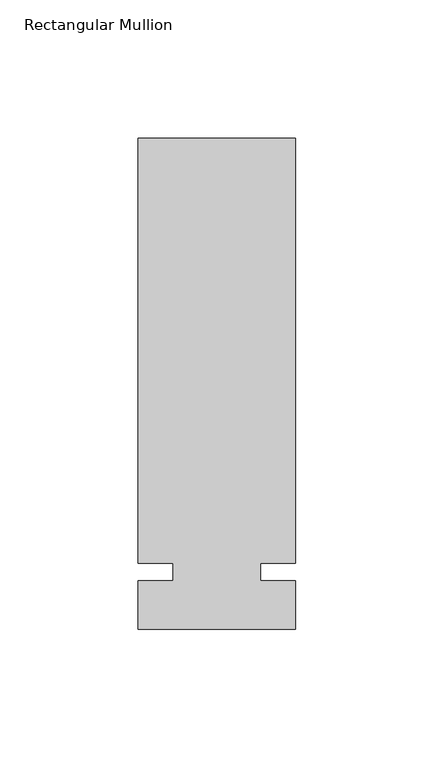
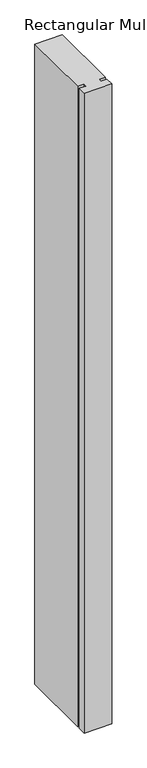
"""IFC4 building model written with IfcOpenShell, lengths in millimetres: member geometry, Rectangular Mullion."""

from ifc_helpers import new_model, si_unit, frame, origin, place, context, project, spatial, polyline, outline, extrude, source, transform, mapped, element, save


def rectangular_mullion_c80ed68c(model_context):
    return source(origin(), model_context, "Body", "SweptSolid", [
        extrude(outline(polyline([(32.9094027, 157.1625), (32.9094027, 3.175), (20.2076322, 3.175), (20.2076322, -3.175), (32.9094027, -3.175), (32.9094027, -20.6375), (-24.2405973, -20.6375), (-24.2405973, -3.175), (-11.5405973, -3.175), (-11.5405973, 3.175), (-24.2405973, 3.175), (-24.2405973, 157.1625), (32.9094027, 157.1625)])), frame((0.0, 0.0, -1407.482264), z_axis=(0.0, 0.0, 1.0), x_axis=(1.0, 0.0, 0.0)), (0.0, 0.0, 1.0), 1407.482264),
    ])


if __name__ == "__main__":
    model = new_model("IFC4")
    model_context = context("Model", 3, world=origin())
    ifc_project = project(units=[si_unit("LENGTHUNIT", "METRE", prefix="MILLI")], contexts=[model_context])
    site = spatial("IfcSite", under=ifc_project)
    building = spatial("IfcBuilding", under=site)
    placement = place(None, origin())
    rectangular_mullion_shape = rectangular_mullion_c80ed68c(model_context)
    element("IfcMember", 1, ObjectType="Rectangular Mullion", at=placement, inside=building, context=model_context, shape_type="MappedRepresentation", body=[
        mapped(rectangular_mullion_shape, transform((0.0, 0.0, 0.0), x_axis=(1.0, 0.0, 0.0), y_axis=(0.0, 1.0, 0.0), z_axis=(0.0, 0.0, 1.0))),
    ])
    save(model, "model.ifc")
